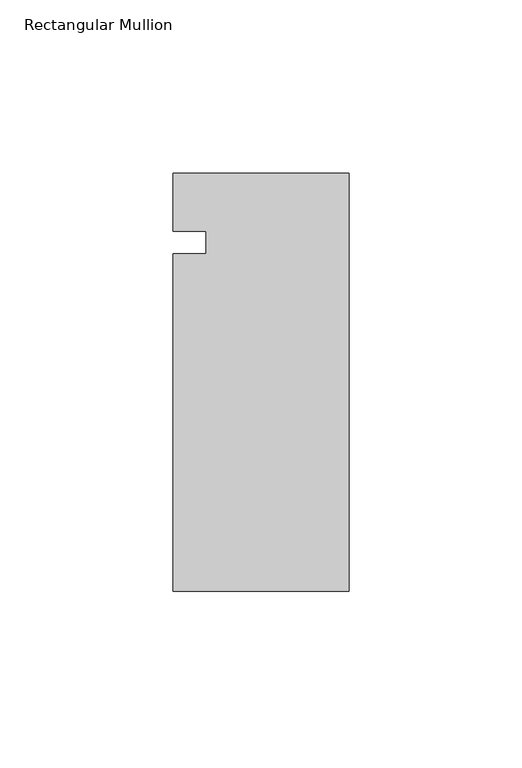
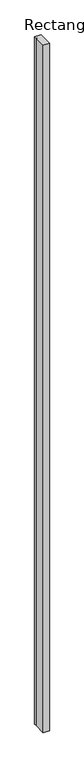
"""IFC4 building model written with IfcOpenShell, lengths in millimetres: member geometry, Rectangular Mullion."""

from ifc_helpers import new_model, si_unit, frame, origin, place, context, project, spatial, polyline, outline, extrude, source, transform, mapped, element, save


def rectangular_mullion_1f44867f(model_context):
    return source(origin(), model_context, "Body", "SweptSolid", [
        extrude(outline(polyline([(-50.8, -50.0382349), (-50.8, 47.3869405), (-41.275, 47.3869405), (-41.275, 53.8271789), (-50.7758192, 53.8271789), (-50.7758192, 70.6117651), (0.0, 70.6117651), (0.0, -50.0382349), (-50.8, -50.0382349)])), frame((0.0, 0.0, -6000.75), z_axis=(0.0, 0.0, 1.0), x_axis=(1.0, 0.0, 0.0)), (0.0, 0.0, 1.0), 6000.75),
    ])


if __name__ == "__main__":
    model = new_model("IFC4")
    model_context = context("Model", 3, world=origin())
    ifc_project = project(units=[si_unit("LENGTHUNIT", "METRE", prefix="MILLI")], contexts=[model_context])
    site = spatial("IfcSite", under=ifc_project)
    building = spatial("IfcBuilding", under=site)
    placement = place(None, origin())
    rectangular_mullion_shape = rectangular_mullion_1f44867f(model_context)
    element("IfcMember", 1, ObjectType="Rectangular Mullion", at=placement, inside=building, context=model_context, shape_type="MappedRepresentation", body=[
        mapped(rectangular_mullion_shape, transform((0.0, 0.0, 0.0), x_axis=(1.0, 0.0, 0.0), y_axis=(0.0, 1.0, 0.0), z_axis=(0.0, 0.0, 1.0))),
    ])
    save(model, "model.ifc")
